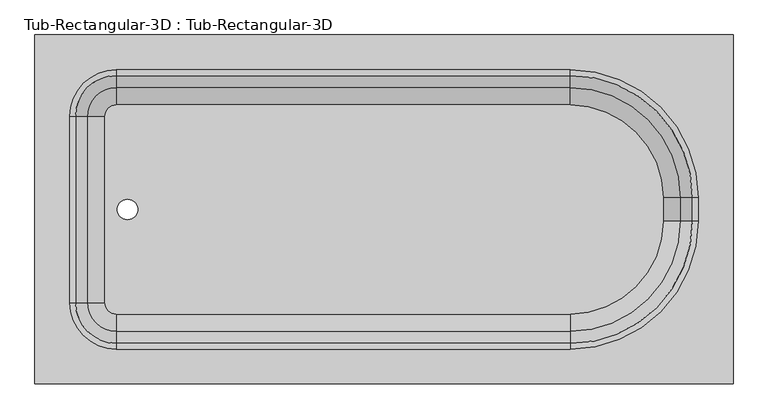
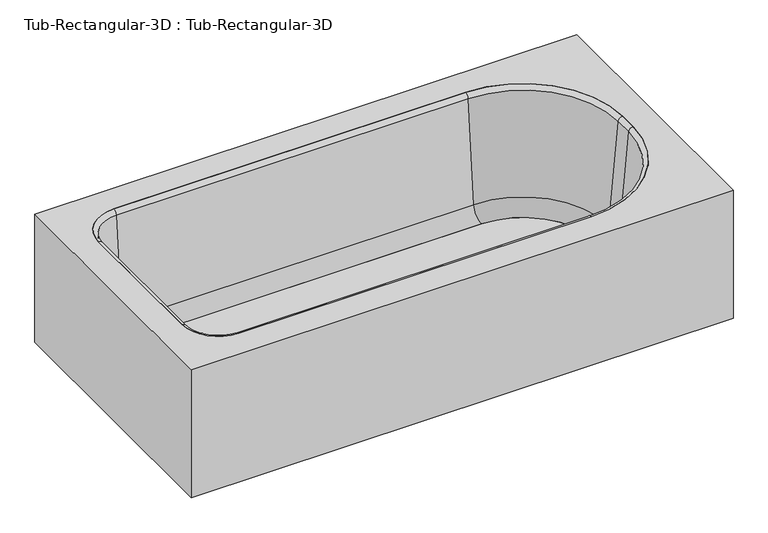
"""IFC4 building model written with IfcOpenShell, lengths in millimetres: flow terminal geometry, Tub-Rectangular-3D : Tub-Rectangular-3D."""

import ifcopenshell
import ifcopenshell.guid

model = None  # the IFC model being written
_history = None  # IfcOwnerHistory: only IFC2X3 demands one
_inside = {}  # id of a spatial element -> (the spatial element, [elements in it])
_under = {}  # id of a project, library or spatial element -> (it, [spatial elements below it])
_declared = {}  # id of a project -> (the project, [libraries it declares])
_typed = {}  # id of a type object -> (the type object, [elements of that type])
_made_of = {}  # id of a material, layer set ... -> (it, [elements and type objects made of it])


def new_model(schema):
    """Start an empty IFC model of exactly this schema.

    Asked for "IFC4X3", IfcOpenShell would pick the latest addendum, in which some entities
    have other attributes; the version numbers below select the first issue.
    IFC2X3 requires an IfcOwnerHistory on every rooted entity: one is made here for all.
    """
    global model, _history
    if schema == "IFC4X3":
        model = ifcopenshell.file(schema_version=(4, 3, 0, 0))
    else:
        model = ifcopenshell.file(schema=schema)
    _inside.clear()
    _under.clear()
    _declared.clear()
    _typed.clear()
    _made_of.clear()
    _history = None
    if model.schema == "IFC2X3":
        org = make("IfcOrganization", Name="unknown")
        user = make(
            "IfcPersonAndOrganization",
            ThePerson=make("IfcPerson", FamilyName="unknown"),
            TheOrganization=org,
        )
        app = make(
            "IfcApplication",
            ApplicationDeveloper=org,
            Version="unknown",
            ApplicationFullName="unknown",
            ApplicationIdentifier="unknown",
        )
        _history = make(
            "IfcOwnerHistory",
            OwningUser=user,
            OwningApplication=app,
            ChangeAction="ADDED",
            CreationDate=0,
        )
    return model


def make(cls, **values):
    """One entity of the class cls with the attributes given. An attribute that is None is left unset."""
    return model.create_entity(
        cls, **{name: value for name, value in values.items() if value is not None}
    )


def rooted(cls, **values):
    """An entity with a GlobalId (a new one), such as an element, a storey or a relation."""
    return make(cls, GlobalId=ifcopenshell.guid.new(), OwnerHistory=_history, **values)


def si_unit(unit_type, name, prefix=None):
    """IfcSIUnit, for example si_unit("LENGTHUNIT", "METRE", prefix="MILLI")."""
    return make("IfcSIUnit", UnitType=unit_type, Prefix=prefix, Name=name)


def assignment(units):
    """IfcUnitAssignment: the units of a project."""
    return None if units is None else make("IfcUnitAssignment", Units=units)


def point(xyz):
    """IfcCartesianPoint."""
    return None if xyz is None else make("IfcCartesianPoint", Coordinates=xyz)


def direction(xyz):
    """IfcDirection."""
    return None if xyz is None else make("IfcDirection", DirectionRatios=xyz)


def frame(location, z_axis=None, x_axis=None):
    """IfcAxis2Placement3D, a coordinate frame: its origin and axes. An axis left out is left unset."""
    return make(
        "IfcAxis2Placement3D",
        Location=point(location),
        Axis=direction(z_axis),
        RefDirection=direction(x_axis),
    )


def frame_2d(location, x_axis=None):
    """IfcAxis2Placement2D, a coordinate frame in the plane: its origin and x axis."""
    return make(
        "IfcAxis2Placement2D", Location=point(location), RefDirection=direction(x_axis)
    )


def origin():
    """The frame at (0, 0, 0) with its axes left unset."""
    return frame((0.0, 0.0, 0.0))


def place(relative_to, where):
    """IfcLocalPlacement: puts the frame where relative to a parent placement (None: the world)."""
    return make(
        "IfcLocalPlacement", PlacementRelTo=relative_to, RelativePlacement=where
    )


def context(
    kind, dimensions, precision=None, world=None, true_north=None, identifier=None
):
    """IfcGeometricRepresentationContext, for example the 3D "Model" context."""
    return make(
        "IfcGeometricRepresentationContext",
        ContextIdentifier=identifier,
        ContextType=kind,
        CoordinateSpaceDimension=dimensions,
        Precision=precision,
        WorldCoordinateSystem=world,
        TrueNorth=true_north,
    )


def project(units=None, contexts=None):
    """IfcProject with its units and contexts."""
    return rooted(
        "IfcProject",
        Name="project",
        RepresentationContexts=contexts,
        UnitsInContext=assignment(units),
    )


def spatial(cls, under=None, at=None, **own):
    """A site, building, storey or space (cls), placed at a placement, below another one or the project."""
    s = rooted(cls, ObjectPlacement=at, **own)
    if under is not None:
        _under.setdefault(under.id(), (under, []))[1].append(s)
    return s


def polyline(points):
    """IfcPolyline through the points."""
    return make("IfcPolyline", Points=[point(p) for p in points])


def circle_curve(where, radius):
    """IfcCircle in the frame where."""
    return make("IfcCircle", Position=where, Radius=radius)


def ellipse_curve(where, semi_axis1, semi_axis2):
    """IfcEllipse in the frame where."""
    return make(
        "IfcEllipse", Position=where, SemiAxis1=semi_axis1, SemiAxis2=semi_axis2
    )


def trimmed(basis, trim1, trim2, sense, master):
    """IfcTrimmedCurve: the piece of a basis curve between two trims."""
    return make(
        "IfcTrimmedCurve",
        BasisCurve=basis,
        Trim1=trim1,
        Trim2=trim2,
        SenseAgreement=sense,
        MasterRepresentation=master,
    )


def segment(curve, same_sense, transition):
    """IfcCompositeCurveSegment."""
    return make(
        "IfcCompositeCurveSegment",
        Transition=transition,
        SameSense=same_sense,
        ParentCurve=curve,
    )


def composite_curve(segments, self_intersect=None):
    """IfcCompositeCurve: segments joined end to end."""
    return make("IfcCompositeCurve", Segments=segments, SelfIntersect=self_intersect)


def outline(outer, holes=None, kind="AREA"):
    """IfcArbitraryClosedProfileDef: a profile drawn as a closed curve; with holes, ...WithVoids."""
    if holes is None:
        return make("IfcArbitraryClosedProfileDef", ProfileType=kind, OuterCurve=outer)
    return make(
        "IfcArbitraryProfileDefWithVoids",
        ProfileType=kind,
        OuterCurve=outer,
        InnerCurves=holes,
    )


def extrude(swept, where, along, depth):
    """IfcExtrudedAreaSolid: the profile swept, set in the frame where, extruded along a direction by depth."""
    return make(
        "IfcExtrudedAreaSolid",
        SweptArea=swept,
        Position=where,
        ExtrudedDirection=direction(along),
        Depth=depth,
    )


def shape(context_of_items, identifier, shape_type, items):
    """IfcShapeRepresentation: the items that make up one representation, for example the "Body"."""
    return make(
        "IfcShapeRepresentation",
        ContextOfItems=context_of_items,
        RepresentationIdentifier=identifier,
        RepresentationType=shape_type,
        Items=items,
    )


def source(mapping_origin, context_of_items, identifier, shape_type, items):
    """IfcRepresentationMap: a shape defined once, which mapped items show again and again."""
    return make(
        "IfcRepresentationMap",
        MappingOrigin=mapping_origin,
        MappedRepresentation=shape(context_of_items, identifier, shape_type, items),
    )


def transform(
    local_origin,
    x_axis=None,
    y_axis=None,
    z_axis=None,
    scale=None,
    scale2=None,
    scale3=None,
    uniform=True,
):
    """IfcCartesianTransformationOperator3D, or its non-uniform kind. x_axis, y_axis, z_axis: its Axis1, 2, 3."""
    if uniform:
        return make(
            "IfcCartesianTransformationOperator3D",
            Axis1=direction(x_axis),
            Axis2=direction(y_axis),
            LocalOrigin=point(local_origin),
            Scale=scale,
            Axis3=direction(z_axis),
        )
    return make(
        "IfcCartesianTransformationOperator3DnonUniform",
        Axis1=direction(x_axis),
        Axis2=direction(y_axis),
        LocalOrigin=point(local_origin),
        Scale=scale,
        Axis3=direction(z_axis),
        Scale2=scale2,
        Scale3=scale3,
    )


def mapped(mapping_source, mapping_target):
    """IfcMappedItem: shows the shape of a source again, moved by a transform."""
    return make(
        "IfcMappedItem", MappingSource=mapping_source, MappingTarget=mapping_target
    )


def made_of(thing, what):
    """Note that an element or type object is made of a material, layer set ...; save() writes the relation."""
    if what is not None:
        _made_of.setdefault(what.id(), (what, []))[1].append(thing)
    return thing


def element(
    cls,
    number,
    at=None,
    inside=None,
    cuts=None,
    type_object=None,
    material=None,
    context=None,
    identifier="Body",
    shape_type=None,
    held_by="IfcProductDefinitionShape",
    body=None,
    shapes=None,
    **own,
):
    """One element of the class cls, such as IfcWall. Its Tag is "e" and its number.

    at: its placement. inside: the storey or other place that contains it. cuts: it is an
    opening in that element (IfcRelVoidsElement). A single representation is given by context,
    identifier, shape_type and body (its items); several are given by shapes. held_by: the class
    of the entity that holds the representations. save() writes the other relations.
    """
    e = rooted(cls, Tag="e%d" % number, ObjectPlacement=at, **own)
    if body is not None:
        shapes = [shape(context, identifier, shape_type, body)]
    if shapes is not None:
        e.Representation = make(held_by, Representations=shapes)
    if inside is not None:
        _inside.setdefault(inside.id(), (inside, []))[1].append(e)
    if cuts is not None:
        rooted(
            "IfcRelVoidsElement", RelatingBuildingElement=cuts, RelatedOpeningElement=e
        )
    if type_object is not None:
        _typed.setdefault(type_object.id(), (type_object, []))[1].append(e)
    return made_of(e, material)


def aggregate(whole, parts):
    """IfcRelAggregates: a whole, such as a stair, and the parts it consists of."""
    return rooted("IfcRelAggregates", RelatingObject=whole, RelatedObjects=parts)


def save(model, path):
    """Write the relations noted so far, then the file.

    IfcRelAggregates (storeys below a building ...), IfcRelContainedInSpatialStructure (elements
    in a storey), IfcRelDefinesByType, IfcRelAssociatesMaterial and IfcRelDeclares: one each for
    every whole, place, type object, material and project.
    """
    for whole, parts in _under.values():
        aggregate(whole, parts)
    for where, things in _inside.values():
        rooted(
            "IfcRelContainedInSpatialStructure",
            RelatedElements=things,
            RelatingStructure=where,
        )
    for kind, things in _typed.values():
        rooted("IfcRelDefinesByType", RelatedObjects=things, RelatingType=kind)
    for what, things in _made_of.values():
        rooted("IfcRelAssociatesMaterial", RelatedObjects=things, RelatingMaterial=what)
    for by, libraries in _declared.values():
        rooted("IfcRelDeclares", RelatingContext=by, RelatedDefinitions=libraries)
    model.write(path)


def plane_surface(at):
    """IfcPlane: the flat surface through the origin of the frame at, square to its z axis."""
    return make("IfcPlane", Position=at)


def cylinder_surface(at, radius):
    """IfcCylindricalSurface: all points at the distance radius from the z axis of the frame at."""
    return make("IfcCylindricalSurface", Position=at, Radius=radius)


def revolved_surface(curve, axis_point, axis_direction):
    """IfcSurfaceOfRevolution: the curve turned about the line through axis_point along axis_direction."""
    return make(
        "IfcSurfaceOfRevolution",
        SweptCurve=make("IfcArbitraryOpenProfileDef", ProfileType="CURVE", Curve=curve),
        AxisPosition=make("IfcAxis1Placement", Location=point(axis_point), Axis=direction(axis_direction)),
    )


def advanced_brep(points, edges, surfaces, faces):
    """IfcAdvancedBrep: a solid bounded by faces that lie on surfaces and meet in shared edges.

    An edge is (start, end): straight between two places in points (the first is 0);
    or (start, end, curve); or (start, end, curve, False) where it runs against its curve.
    A face is (place in surfaces, loops), or (place, loops, False) where it looks against
    its surface's normal. A loop lists edges by number (the first is 1), with a minus sign
    where the edge is run from its end to its start. The first loop is the outer one.
    """
    corners = [point(p) for p in points]
    vertices = [make("IfcVertexPoint", VertexGeometry=c) for c in corners]
    made = []
    for start, end, *more in edges:
        made.append(
            make(
                "IfcEdgeCurve",
                EdgeStart=vertices[start],
                EdgeEnd=vertices[end],
                EdgeGeometry=more[0] if more else make("IfcPolyline", Points=[corners[start], corners[end]]),
                SameSense=more[1] if len(more) > 1 else True,
            )
        )
    hull = []
    for where, loops, *sense in faces:
        bounds = []
        for j, loop in enumerate(loops):
            ring = [make("IfcOrientedEdge", EdgeElement=made[abs(k) - 1], Orientation=k > 0) for k in loop]
            bounds.append(
                make(
                    "IfcFaceOuterBound" if j == 0 else "IfcFaceBound",
                    Bound=make("IfcEdgeLoop", EdgeList=ring),
                    Orientation=True,
                )
            )
        hull.append(make("IfcAdvancedFace", Bounds=bounds, FaceSurface=surfaces[where], SameSense=sense[0] if sense else True))
    return make("IfcAdvancedBrep", Outer=make("IfcClosedShell", CfsFaces=hull))


def tub_rectangular_3d_tub_rectangular_3d_f78616a5(model_context):
    return source(origin(), model_context, "Body", "SolidModel", [
        advanced_brep(
        [(413.3970313, 823.9125, 381.0), (-1110.6029687, 823.9125, 381.0), (-1110.6029687, 61.9125, 381.0), (413.3970313, 61.9125, 381.0), (-932.8029687, 747.7125, 381.0), (57.7970313, 747.7125, 381.0), (337.1970313, 468.3125, 381.0), (337.1970313, 417.5125, 381.0), (57.7970313, 138.1125, 381.0), (-932.8029687, 138.1125, 381.0), (-1034.4029687, 239.7125, 381.0), (-1034.4029687, 646.1125, 381.0), (394.3470313, 804.8625, 361.95), (394.3470313, 80.9625, 361.95), (-1091.5529687, 80.9625, 361.95), (-1091.5529687, 804.8625, 361.95), (-932.8029687, 747.7125, 361.95), (-1034.4029687, 646.1125, 361.95), (-1034.4029687, 239.7125, 361.95), (-932.8029687, 138.1125, 361.95), (57.7970313, 138.1125, 361.95), (337.1970313, 417.5125, 361.95), (337.1970313, 468.3125, 361.95), (57.7970313, 747.7125, 361.95), (413.3970313, 823.9125, 0.0), (-1110.6029687, 823.9125, 0.0), (-1110.6029687, 61.9125, 0.0), (413.3970313, 61.9125, 0.0), (394.3470313, 804.8625, 0.0), (-1091.5529687, 804.8625, 0.0), (-1091.5529687, 80.9625, 0.0), (394.3470313, 80.9625, 0.0)],
        [
            (0, 1),
            (1, 2),
            (2, 3),
            (3, 0),
            (4, 5),
            (5, 6, circle_curve(frame((57.7970313, 468.3125, 381.0), z_axis=(0.0, 0.0, -1.0), x_axis=(0.0, 1.0, 0.0)), 279.4)),
            (6, 7),
            (7, 8, circle_curve(frame((57.7970313, 417.5125, 381.0), z_axis=(0.0, 0.0, -1.0), x_axis=(0.0, 1.0, 0.0)), 279.4)),
            (8, 9),
            (9, 10, circle_curve(frame((-932.8029687, 239.7125, 381.0), z_axis=(0.0, 0.0, -1.0), x_axis=(0.0, 1.0, 0.0)), 101.6)),
            (10, 11),
            (11, 4, circle_curve(frame((-932.8029687, 646.1125, 381.0), z_axis=(0.0, 0.0, -1.0), x_axis=(0.0, 1.0, 0.0)), 101.6)),
            (12, 13),
            (13, 14),
            (14, 15),
            (15, 12),
            (16, 17, circle_curve(frame((-932.8029687, 646.1125, 361.95), z_axis=(0.0, 0.0, 1.0), x_axis=(0.0, 1.0, 0.0)), 101.6)),
            (17, 18),
            (18, 19, circle_curve(frame((-932.8029687, 239.7125, 361.95), z_axis=(0.0, 0.0, 1.0), x_axis=(0.0, 1.0, 0.0)), 101.6)),
            (19, 20),
            (20, 21, circle_curve(frame((57.7970313, 417.5125, 361.95), z_axis=(0.0, 0.0, 1.0), x_axis=(0.0, 1.0, 0.0)), 279.4)),
            (21, 22),
            (22, 23, circle_curve(frame((57.7970313, 468.3125, 361.95), z_axis=(0.0, 0.0, 1.0), x_axis=(0.0, 1.0, 0.0)), 279.4)),
            (23, 16),
            (0, 24),
            (24, 25),
            (25, 1),
            (25, 26),
            (26, 2),
            (26, 27),
            (27, 3),
            (27, 24),
            (4, 16),
            (23, 5),
            (22, 6),
            (21, 7),
            (20, 8),
            (19, 9),
            (18, 10),
            (17, 11),
            (28, 29),
            (29, 30),
            (30, 31),
            (31, 28),
            (31, 13),
            (12, 28),
            (30, 14),
            (29, 15),
        ],
        [
            plane_surface(frame((-1110.6029687, 823.9125, 381.0), z_axis=(0.0, 0.0, 1.0), x_axis=(-1.0, 0.0, 0.0))),
            plane_surface(frame((-1110.6029687, 823.9125, 361.95), z_axis=(0.0, 0.0, -1.0), x_axis=(1.0, 0.0, 0.0))),
            plane_surface(frame((413.3970313, 823.9125, 381.0), z_axis=(0.0, 1.0, 0.0), x_axis=(0.0, 0.0, -1.0))),
            plane_surface(frame((-1110.6029687, 823.9125, 381.0), z_axis=(-1.0, 0.0, 0.0), x_axis=(0.0, 0.0, -1.0))),
            plane_surface(frame((-1110.6029687, 61.9125, 381.0), z_axis=(0.0, -1.0, 0.0), x_axis=(0.0, 0.0, -1.0))),
            plane_surface(frame((413.3970313, 61.9125, 381.0), z_axis=(1.0, 0.0, 0.0), x_axis=(0.0, 0.0, -1.0))),
            plane_surface(frame((-932.8029687, 747.7125, 381.0), z_axis=(0.0, -1.0, 0.0), x_axis=(0.0, 0.0, -1.0))),
            revolved_surface(polyline([(57.7970313, 747.7125, 361.95), (57.7970313, 747.7125, 381.0)]), (57.7970313, 468.3125, 381.0), (0.0, 0.0, -1.0)),
            plane_surface(frame((337.1970313, 468.3125, 381.0), z_axis=(-1.0, 0.0, 0.0), x_axis=(0.0, 0.0, -1.0))),
            revolved_surface(polyline([(57.7970313, 696.9124999999999, 361.95), (57.7970313, 696.9124999999999, 381.0)]), (57.7970313, 417.5125, 381.0), (0.0, 0.0, -1.0)),
            plane_surface(frame((57.7970313, 138.1125, 381.0), z_axis=(0.0, 1.0, 0.0), x_axis=(0.0, 0.0, -1.0))),
            revolved_surface(polyline([(-932.8029687, 341.3125, 361.95), (-932.8029687, 341.3125, 381.0)]), (-932.8029687, 239.7125, 381.0), (0.0, 0.0, -1.0)),
            plane_surface(frame((-1034.4029687, 239.7125, 381.0), z_axis=(1.0, 0.0, 0.0), x_axis=(0.0, 0.0, -1.0))),
            revolved_surface(polyline([(-932.8029687, 747.7125, 361.95), (-932.8029687, 747.7125, 381.0)]), (-932.8029687, 646.1125, 381.0), (0.0, 0.0, -1.0)),
            plane_surface(frame((-1110.6029687, 823.9125, 0.0), z_axis=(0.0, 0.0, -1.0), x_axis=(1.0, 0.0, 0.0))),
            plane_surface(frame((394.3470313, 804.8625, 361.95), z_axis=(-1.0, 0.0, 0.0), x_axis=(0.0, 0.0, -1.0))),
            plane_surface(frame((394.3470313, 80.9625, 361.95), z_axis=(0.0, 1.0, 0.0), x_axis=(0.0, 0.0, -1.0))),
            plane_surface(frame((-1091.5529687, 80.9625, 361.95), z_axis=(1.0, 0.0, 0.0), x_axis=(0.0, 0.0, -1.0))),
            plane_surface(frame((-1091.5529687, 804.8625, 361.95), z_axis=(0.0, -1.0, 0.0), x_axis=(0.0, 0.0, -1.0))),
        ],
        [
            (0, [[1, 2, 3, 4], [5, 6, 7, 8, 9, 10, 11, 12]]),
            (1, [[13, 14, 15, 16], [17, 18, 19, 20, 21, 22, 23, 24]]),
            (2, [[-1, 25, 26, 27]]),
            (3, [[-2, -27, 28, 29]]),
            (4, [[-3, -29, 30, 31]]),
            (5, [[-25, -4, -31, 32]]),
            (6, [[-5, 33, -24, 34]]),
            (7, [[-6, -34, -23, 35]]),
            (8, [[-7, -35, -22, 36]]),
            (9, [[-8, -36, -21, 37]]),
            (10, [[-9, -37, -20, 38]]),
            (11, [[-10, -38, -19, 39]]),
            (12, [[-11, -39, -18, 40]]),
            (13, [[-12, -40, -17, -33]]),
            (14, [[-32, -30, -28, -26], [41, 42, 43, 44]]),
            (15, [[-44, 45, -13, 46]]),
            (16, [[-43, 47, -14, -45]]),
            (17, [[-42, 48, -15, -47]]),
            (18, [[-41, -46, -16, -48]]),
        ],
    ),
        extrude(outline(composite_curve([segment(trimmed(circle_curve(frame_2d((57.7970313, 468.3125)), 202.7964741), [point((57.7970313, 671.1089741))], [point((260.5935054, 468.3125))], False, "CARTESIAN"), True, "CONTINUOUS"), segment(polyline([(260.5935054, 468.3125), (260.5935054, 417.5125)]), True, "CONTINUOUS"), segment(trimmed(circle_curve(frame_2d((57.7970313, 417.5125)), 202.7964741), [point((260.5935054, 417.5125))], [point((57.7970313, 214.7160259))], False, "CARTESIAN"), True, "CONTINUOUS"), segment(polyline([(57.7970313, 214.7160259), (-932.8029687, 214.7160259)]), True, "CONTINUOUS"), segment(trimmed(circle_curve(frame_2d((-932.8029687, 239.7125)), 24.9964741), [point((-932.8029687, 214.7160259))], [point((-957.7994428, 239.7125))], False, "CARTESIAN"), True, "CONTINUOUS"), segment(polyline([(-957.7994428, 239.7125), (-957.7994428, 646.1125)]), True, "CONTINUOUS"), segment(trimmed(circle_curve(frame_2d((-932.8029687, 646.1125)), 24.9964741), [point((-957.7994428, 646.1125))], [point((-932.8029687, 671.1089741))], False, "CARTESIAN"), True, "CONTINUOUS"), segment(polyline([(-932.8029687, 671.1089741), (57.7970313, 671.1089741)]), True, "CONTINUOUS")], self_intersect=False), holes=[composite_curve([segment(trimmed(circle_curve(frame_2d((-908.510206, 442.9125)), 22.225), [point((-908.510206, 465.1375))], [point((-908.510206, 420.6875))], True, "CARTESIAN"), True, "CONTINUOUS"), segment(trimmed(circle_curve(frame_2d((-908.510206, 442.9125)), 22.225), [point((-908.510206, 420.6875))], [point((-908.510206, 465.1375))], True, "CARTESIAN"), True, "CONTINUOUS")], self_intersect=False)]), frame((0.0, 0.0, 16.863573), z_axis=(0.0, 0.0, 1.0), x_axis=(1.0, 0.0, 0.0)), (0.0, 0.0, 1.0), 19.05),
        advanced_brep(
        [(-995.7544608, 646.1125, 70.6929392), (-932.8029687, 709.0639921, 70.6929392), (-932.8029687, 735.2345035, 369.8232535), (-1021.9249722, 646.1125, 369.8232535), (-957.7994428, 646.1125, 35.913573), (-932.8029687, 671.1089741, 35.913573), (-957.7994428, 646.1125, 16.863573), (-932.8029687, 671.1089741, 16.863573), (-1034.4029687, 646.1125, 16.863573), (-932.8029687, 747.7125, 16.863573), (-1034.4029687, 646.1125, 381.0), (-932.8029687, 747.7125, 381.0), (-1021.9249722, 239.7125, 369.8232535), (-995.7544608, 239.7125, 70.6929392), (-957.7994428, 239.7125, 35.913573), (-957.7994428, 239.7125, 16.863573), (-1034.4029687, 239.7125, 16.863573), (-1034.4029687, 239.7125, 381.0), (-932.8029687, 176.7610079, 70.6929392), (-932.8029687, 150.5904965, 369.8232535), (-932.8029687, 214.7160259, 35.913573), (-932.8029687, 214.7160259, 16.863573), (-932.8029687, 138.1125, 16.863573), (-932.8029687, 138.1125, 381.0), (57.7970313, 150.5904965, 369.8232535), (57.7970313, 176.7610079, 70.6929392), (57.7970313, 214.7160259, 35.913573), (57.7970313, 214.7160259, 16.863573), (57.7970313, 138.1125, 16.863573), (57.7970313, 138.1125, 381.0), (298.5485234, 417.5125, 70.6929392), (324.7190348, 417.5125, 369.8232535), (260.5935054, 417.5125, 35.913573), (260.5935054, 417.5125, 16.863573), (337.1970313, 417.5125, 16.863573), (337.1970313, 417.5125, 381.0), (324.7190348, 468.3125, 369.8232535), (298.5485234, 468.3125, 70.6929392), (260.5935054, 468.3125, 35.913573), (260.5935054, 468.3125, 16.863573), (337.1970313, 468.3125, 16.863573), (337.1970313, 468.3125, 381.0), (57.7970313, 709.0639921, 70.6929392), (57.7970313, 735.2345035, 369.8232535), (57.7970313, 671.1089741, 35.913573), (57.7970313, 671.1089741, 16.863573), (57.7970313, 747.7125, 16.863573), (57.7970313, 747.7125, 381.0)],
        [
            (0, 1, circle_curve(frame((-932.8029687, 646.1125, 70.6929392), z_axis=(0.0, 0.0, -1.0), x_axis=(0.0, 1.0, 0.0)), 62.9514921)),
            (1, 2),
            (2, 3, circle_curve(frame((-932.8029687, 646.1125, 369.8232535), z_axis=(0.0, 0.0, 1.0), x_axis=(0.0, 1.0, 0.0)), 89.1220035)),
            (3, 0),
            (4, 5, circle_curve(frame((-932.8029687, 646.1125, 35.913573), z_axis=(0.0, 0.0, -1.0), x_axis=(0.0, 1.0, 0.0)), 24.9964741)),
            (5, 1, circle_curve(frame((-932.8029687, 671.1089741, 74.013573), z_axis=(1.0, 0.0, 0.0), x_axis=(0.0, -1.0, 0.0)), 38.1)),
            (0, 4, circle_curve(frame((-957.7994428, 646.1125, 74.013573), z_axis=(0.0, -1.0, 0.0), x_axis=(1.0, 0.0, 0.0)), 38.1)),
            (6, 7, circle_curve(frame((-932.8029687, 646.1125, 16.863573), z_axis=(0.0, 0.0, -1.0), x_axis=(0.0, 1.0, 0.0)), 24.9964741)),
            (7, 5),
            (4, 6),
            (8, 9, circle_curve(frame((-932.8029687, 646.1125, 16.863573), z_axis=(0.0, 0.0, -1.0), x_axis=(0.0, 1.0, 0.0)), 101.6)),
            (9, 7),
            (6, 8),
            (10, 11, circle_curve(frame((-932.8029687, 646.1125, 381.0), z_axis=(0.0, 0.0, -1.0), x_axis=(0.0, 1.0, 0.0)), 101.6)),
            (11, 9),
            (8, 10),
            (2, 11, circle_curve(frame((-932.8029687, 747.7125, 368.4462547), z_axis=(-1.0, 0.0, 0.0), x_axis=(0.0, -1.0, 0.0)), 12.5537453)),
            (10, 3, circle_curve(frame((-1034.4029687, 646.1125, 368.4462547), z_axis=(0.0, 1.0, 0.0), x_axis=(1.0, 0.0, 0.0)), 12.5537453)),
            (3, 12),
            (12, 13),
            (13, 0),
            (13, 14, circle_curve(frame((-957.7994428, 239.7125, 74.013573), z_axis=(0.0, -1.0, 0.0), x_axis=(1.0, 0.0, 0.0)), 38.1)),
            (14, 4),
            (14, 15),
            (15, 6),
            (15, 16),
            (16, 8),
            (16, 17),
            (17, 10),
            (17, 12, circle_curve(frame((-1034.4029687, 239.7125, 368.4462547), z_axis=(0.0, 1.0, 0.0), x_axis=(1.0, 0.0, 0.0)), 12.5537453)),
            (18, 13, circle_curve(frame((-932.8029687, 239.7125, 70.6929392), z_axis=(0.0, 0.0, -1.0), x_axis=(-1.0, 0.0, 0.0)), 62.9514921)),
            (12, 19, circle_curve(frame((-932.8029687, 239.7125, 369.8232535), z_axis=(0.0, 0.0, 1.0), x_axis=(-1.0, 0.0, 0.0)), 89.1220035)),
            (19, 18),
            (20, 14, circle_curve(frame((-932.8029687, 239.7125, 35.913573), z_axis=(0.0, 0.0, -1.0), x_axis=(-1.0, 0.0, 0.0)), 24.9964741)),
            (18, 20, circle_curve(frame((-932.8029687, 214.7160259, 74.013573), z_axis=(1.0, 0.0, 0.0), x_axis=(0.0, 1.0, 0.0)), 38.1)),
            (21, 15, circle_curve(frame((-932.8029687, 239.7125, 16.863573), z_axis=(0.0, 0.0, -1.0), x_axis=(-1.0, 0.0, 0.0)), 24.9964741)),
            (20, 21),
            (22, 16, circle_curve(frame((-932.8029687, 239.7125, 16.863573), z_axis=(0.0, 0.0, -1.0), x_axis=(-1.0, 0.0, 0.0)), 101.6)),
            (21, 22),
            (23, 17, circle_curve(frame((-932.8029687, 239.7125, 381.0), z_axis=(0.0, 0.0, -1.0), x_axis=(-1.0, 0.0, 0.0)), 101.6)),
            (22, 23),
            (23, 19, circle_curve(frame((-932.8029687, 138.1125, 368.4462547), z_axis=(-1.0, 0.0, 0.0), x_axis=(0.0, 1.0, 0.0)), 12.5537453)),
            (19, 24),
            (24, 25),
            (25, 18),
            (25, 26, circle_curve(frame((57.7970313, 214.7160259, 74.013573), z_axis=(1.0, 0.0, 0.0), x_axis=(0.0, 1.0, 0.0)), 38.1)),
            (26, 20),
            (26, 27),
            (27, 21),
            (27, 28),
            (28, 22),
            (28, 29),
            (29, 23),
            (29, 24, circle_curve(frame((57.7970313, 138.1125, 368.4462547), z_axis=(-1.0, 0.0, 0.0), x_axis=(0.0, 1.0, 0.0)), 12.5537453)),
            (30, 25, circle_curve(frame((57.7970313, 417.5125, 70.6929392), z_axis=(0.0, 0.0, -1.0), x_axis=(0.0, -1.0, 0.0)), 240.7514921)),
            (24, 31, circle_curve(frame((57.7970313, 417.5125, 369.8232535), z_axis=(0.0, 0.0, 1.0), x_axis=(0.0, -1.0, 0.0)), 266.9220035)),
            (31, 30),
            (32, 26, circle_curve(frame((57.7970313, 417.5125, 35.913573), z_axis=(0.0, 0.0, -1.0), x_axis=(0.0, -1.0, 0.0)), 202.7964741)),
            (30, 32, circle_curve(frame((260.5935054, 417.5125, 74.013573), z_axis=(0.0, 1.0, 0.0), x_axis=(-1.0, 0.0, 0.0)), 38.1)),
            (33, 27, circle_curve(frame((57.7970313, 417.5125, 16.863573), z_axis=(0.0, 0.0, -1.0), x_axis=(0.0, -1.0, 0.0)), 202.7964741)),
            (32, 33),
            (34, 28, circle_curve(frame((57.7970313, 417.5125, 16.863573), z_axis=(0.0, 0.0, -1.0), x_axis=(0.0, -1.0, 0.0)), 279.4)),
            (33, 34),
            (35, 29, circle_curve(frame((57.7970313, 417.5125, 381.0), z_axis=(0.0, 0.0, -1.0), x_axis=(0.0, -1.0, 0.0)), 279.4)),
            (34, 35),
            (35, 31, circle_curve(frame((337.1970313, 417.5125, 368.4462547), z_axis=(0.0, -1.0, 0.0), x_axis=(-1.0, 0.0, 0.0)), 12.5537453)),
            (31, 36),
            (36, 37),
            (37, 30),
            (37, 38, circle_curve(frame((260.5935054, 468.3125, 74.013573), z_axis=(0.0, 1.0, 0.0), x_axis=(-1.0, 0.0, 0.0)), 38.1)),
            (38, 32),
            (38, 39),
            (39, 33),
            (39, 40),
            (40, 34),
            (40, 41),
            (41, 35),
            (41, 36, circle_curve(frame((337.1970313, 468.3125, 368.4462547), z_axis=(0.0, -1.0, 0.0), x_axis=(-1.0, 0.0, 0.0)), 12.5537453)),
            (42, 37, circle_curve(frame((57.7970313, 468.3125, 70.6929392), z_axis=(0.0, 0.0, -1.0), x_axis=(1.0, 0.0, 0.0)), 240.7514921)),
            (36, 43, circle_curve(frame((57.7970313, 468.3125, 369.8232535), z_axis=(0.0, 0.0, 1.0), x_axis=(1.0, 0.0, 0.0)), 266.9220035)),
            (43, 42),
            (44, 38, circle_curve(frame((57.7970313, 468.3125, 35.913573), z_axis=(0.0, 0.0, -1.0), x_axis=(1.0, 0.0, 0.0)), 202.7964741)),
            (42, 44, circle_curve(frame((57.7970313, 671.1089741, 74.013573), z_axis=(-1.0, 0.0, 0.0), x_axis=(0.0, -1.0, 0.0)), 38.1)),
            (45, 39, circle_curve(frame((57.7970313, 468.3125, 16.863573), z_axis=(0.0, 0.0, -1.0), x_axis=(1.0, 0.0, 0.0)), 202.7964741)),
            (44, 45),
            (46, 40, circle_curve(frame((57.7970313, 468.3125, 16.863573), z_axis=(0.0, 0.0, -1.0), x_axis=(1.0, 0.0, 0.0)), 279.4)),
            (45, 46),
            (47, 41, circle_curve(frame((57.7970313, 468.3125, 381.0), z_axis=(0.0, 0.0, -1.0), x_axis=(1.0, 0.0, 0.0)), 279.4)),
            (46, 47),
            (47, 43, circle_curve(frame((57.7970313, 747.7125, 368.4462547), z_axis=(1.0, 0.0, 0.0), x_axis=(0.0, -1.0, 0.0)), 12.5537453)),
            (43, 2),
            (1, 42),
            (5, 44),
            (7, 45),
            (9, 46),
            (11, 47),
        ],
        [
            revolved_surface(polyline([(-932.8029687, 735.2345035, 369.8232535), (-932.8029687, 709.0639921, 70.6929392)]), (-932.8029687, 646.1125, 381.0), (0.0, 0.0, 1.0)),
            revolved_surface(trimmed(ellipse_curve(frame((-932.8029687, 671.1089741, 74.013573), z_axis=(-1.0, 0.0, 0.0), x_axis=(0.0, -1.0, 0.0)), 38.1, 38.1), [point((-932.8029687, 709.0639921, 70.6929392))], [point((-932.8029687, 671.1089741, 35.913573))], True, "CARTESIAN"), (-932.8029687, 646.1125, 381.0), (0.0, 0.0, 1.0)),
            revolved_surface(polyline([(-932.8029687, 671.1089741, 35.913572999999985), (-932.8029687, 671.1089741, 16.863572999999974)]), (-932.8029687, 646.1125, 381.0), (0.0, 0.0, 1.0)),
            plane_surface(frame((-932.8029687, 646.1125, 16.863573), z_axis=(0.0, 0.0, -1.0), x_axis=(0.0, 1.0, 0.0))),
            cylinder_surface(frame((-932.8029687, 646.1125, 381.0), z_axis=(0.0, 0.0, 1.0), x_axis=(0.0, 1.0, 0.0)), 101.6),
            revolved_surface(trimmed(ellipse_curve(frame((-932.8029687, 747.7125, 368.4462547), z_axis=(1.0, 0.0, 0.0), x_axis=(0.0, -1.0, 0.0)), 12.5537453, 12.5537453), [point((-932.8029687, 747.7125, 381.0))], [point((-932.8029687, 735.2345035, 369.8232535))], True, "CARTESIAN"), (-932.8029687, 646.1125, 381.0), (0.0, 0.0, 1.0)),
            plane_surface(frame((-1021.9249722, 646.1125, 369.8232535), z_axis=(0.9961946980917458, 0.0, 0.08715574274765588), x_axis=(0.0, -1.0, 0.0))),
            revolved_surface(polyline([(-919.6994427999999, 239.71249999999998, 74.013573), (-919.6994427999999, 646.1125, 74.013573)]), (-957.7994428, 646.1125, 74.013573), (0.0, -1.0, 0.0)),
            plane_surface(frame((-957.7994428, 646.1125, 35.913573), z_axis=(1.0, 0.0, 0.0), x_axis=(0.0, -1.0, 0.0))),
            plane_surface(frame((-957.7994428, 646.1125, 16.863573), z_axis=(0.0, 0.0, -1.0), x_axis=(0.0, -1.0, 0.0))),
            plane_surface(frame((-1034.4029687, 646.1125, 16.863573), z_axis=(-1.0, 0.0, 0.0), x_axis=(0.0, -1.0, 0.0))),
            cylinder_surface(frame((-1034.4029687, 646.1125, 368.4462547), z_axis=(0.0, 1.0, 0.0), x_axis=(1.0, 0.0, 0.0)), 12.5537453),
            revolved_surface(polyline([(-1021.9249722, 239.7125, 369.8232535), (-995.7544608, 239.7125, 70.6929392)]), (-932.8029687, 239.7125, 381.0), (0.0, 0.0, 1.0)),
            revolved_surface(trimmed(ellipse_curve(frame((-957.7994428, 239.7125, 74.013573), z_axis=(0.0, -1.0, 0.0), x_axis=(1.0, 0.0, 0.0)), 38.1, 38.1), [point((-995.7544608, 239.7125, 70.6929392))], [point((-957.7994428, 239.7125, 35.913573))], True, "CARTESIAN"), (-932.8029687, 239.7125, 381.0), (0.0, 0.0, 1.0)),
            revolved_surface(polyline([(-957.7994428, 239.7125, 35.913572999999985), (-957.7994428, 239.7125, 16.863572999999974)]), (-932.8029687, 239.7125, 381.0), (0.0, 0.0, 1.0)),
            plane_surface(frame((-932.8029687, 239.7125, 16.863573), z_axis=(0.0, 0.0, -1.0), x_axis=(-1.0, 0.0, 0.0))),
            cylinder_surface(frame((-932.8029687, 239.7125, 381.0), z_axis=(0.0, 0.0, 1.0), x_axis=(-1.0, 0.0, 0.0)), 101.6),
            revolved_surface(trimmed(ellipse_curve(frame((-1034.4029687, 239.7125, 368.4462547), z_axis=(0.0, 1.0, 0.0), x_axis=(1.0, 0.0, 0.0)), 12.5537453, 12.5537453), [point((-1034.4029687, 239.7125, 381.0))], [point((-1021.9249722, 239.7125, 369.8232535))], True, "CARTESIAN"), (-932.8029687, 239.7125, 381.0), (0.0, 0.0, 1.0)),
            plane_surface(frame((-932.8029687, 150.5904965, 369.8232535), z_axis=(0.0, 0.9961946980917461, 0.08715574274765264), x_axis=(1.0, 0.0, 0.0))),
            revolved_surface(polyline([(57.79703129999996, 252.8160259, 74.013573), (-932.8029687, 252.8160259, 74.013573)]), (-932.8029687, 214.7160259, 74.013573), (1.0, 0.0, 0.0)),
            plane_surface(frame((-932.8029687, 214.7160259, 35.913573), z_axis=(0.0, 1.0, 0.0), x_axis=(1.0, 0.0, 0.0))),
            plane_surface(frame((-932.8029687, 214.7160259, 16.863573), z_axis=(0.0, 0.0, -1.0), x_axis=(1.0, 0.0, 0.0))),
            plane_surface(frame((-932.8029687, 138.1125, 16.863573), z_axis=(0.0, -1.0, 0.0), x_axis=(1.0, 0.0, 0.0))),
            cylinder_surface(frame((-932.8029687, 138.1125, 368.4462547), z_axis=(-1.0, 0.0, 0.0), x_axis=(0.0, 1.0, 0.0)), 12.5537453),
            revolved_surface(polyline([(57.7970313, 150.5904965, 369.8232535), (57.7970313, 176.7610079, 70.6929392)]), (57.7970313, 417.5125, 381.0), (0.0, 0.0, 1.0)),
            revolved_surface(trimmed(ellipse_curve(frame((57.7970313, 214.7160259, 74.013573), z_axis=(1.0, 0.0, 0.0), x_axis=(0.0, 1.0, 0.0)), 38.1, 38.1), [point((57.7970313, 176.7610079, 70.6929392))], [point((57.7970313, 214.7160259, 35.913573))], True, "CARTESIAN"), (57.7970313, 417.5125, 381.0), (0.0, 0.0, 1.0)),
            revolved_surface(polyline([(57.7970313, 214.71602589999998, 35.913572999999985), (57.7970313, 214.71602589999998, 16.863572999999974)]), (57.7970313, 417.5125, 381.0), (0.0, 0.0, 1.0)),
            plane_surface(frame((57.7970313, 417.5125, 16.863573), z_axis=(0.0, 0.0, -1.0), x_axis=(0.0, -1.0, 0.0))),
            cylinder_surface(frame((57.7970313, 417.5125, 381.0), z_axis=(0.0, 0.0, 1.0), x_axis=(0.0, -1.0, 0.0)), 279.4),
            revolved_surface(trimmed(ellipse_curve(frame((57.7970313, 138.1125, 368.4462547), z_axis=(-1.0, 0.0, 0.0), x_axis=(0.0, 1.0, 0.0)), 12.5537453, 12.5537453), [point((57.7970313, 138.1125, 381.0))], [point((57.7970313, 150.5904965, 369.8232535))], True, "CARTESIAN"), (57.7970313, 417.5125, 381.0), (0.0, 0.0, 1.0)),
            plane_surface(frame((324.7190348, 417.5125, 369.8232535), z_axis=(-0.9961946980917464, 0.0, 0.08715574274764941), x_axis=(0.0, 1.0, 0.0))),
            revolved_surface(polyline([(222.49350540000003, 468.3125, 74.013573), (222.49350540000003, 417.5125, 74.013573)]), (260.5935054, 417.5125, 74.013573), (0.0, 1.0, 0.0)),
            plane_surface(frame((260.5935054, 417.5125, 35.913573), z_axis=(-1.0, 0.0, 0.0), x_axis=(0.0, 1.0, 0.0))),
            plane_surface(frame((260.5935054, 417.5125, 16.863573), z_axis=(0.0, 0.0, -1.0), x_axis=(0.0, 1.0, 0.0))),
            plane_surface(frame((337.1970313, 417.5125, 16.863573), z_axis=(1.0, 0.0, 0.0), x_axis=(0.0, 1.0, 0.0))),
            cylinder_surface(frame((337.1970313, 417.5125, 368.4462547), z_axis=(0.0, -1.0, 0.0), x_axis=(-1.0, 0.0, 0.0)), 12.5537453),
            revolved_surface(polyline([(324.7190348, 468.3125, 369.8232535), (298.5485234, 468.3125, 70.6929392)]), (57.7970313, 468.3125, 381.0), (0.0, 0.0, 1.0)),
            revolved_surface(trimmed(ellipse_curve(frame((260.5935054, 468.3125, 74.013573), z_axis=(0.0, 1.0, 0.0), x_axis=(-1.0, 0.0, 0.0)), 38.1, 38.1), [point((298.5485234, 468.3125, 70.6929392))], [point((260.5935054, 468.3125, 35.913573))], True, "CARTESIAN"), (57.7970313, 468.3125, 381.0), (0.0, 0.0, 1.0)),
            revolved_surface(polyline([(260.5935054, 468.3125, 35.913572999999985), (260.5935054, 468.3125, 16.863572999999974)]), (57.7970313, 468.3125, 381.0), (0.0, 0.0, 1.0)),
            plane_surface(frame((57.7970313, 468.3125, 16.863573), z_axis=(0.0, 0.0, -1.0), x_axis=(1.0, 0.0, 0.0))),
            cylinder_surface(frame((57.7970313, 468.3125, 381.0), z_axis=(0.0, 0.0, 1.0), x_axis=(1.0, 0.0, 0.0)), 279.4),
            revolved_surface(trimmed(ellipse_curve(frame((337.1970313, 468.3125, 368.4462547), z_axis=(0.0, -1.0, 0.0), x_axis=(-1.0, 0.0, 0.0)), 12.5537453, 12.5537453), [point((337.1970313, 468.3125, 381.0))], [point((324.7190348, 468.3125, 369.8232535))], True, "CARTESIAN"), (57.7970313, 468.3125, 381.0), (0.0, 0.0, 1.0)),
            plane_surface(frame((57.7970313, 735.2345035, 369.8232535), z_axis=(0.0, -0.9961946980917461, 0.08715574274765264), x_axis=(-1.0, 0.0, 0.0))),
            revolved_surface(polyline([(-932.8029687, 633.0089740999999, 74.013573), (57.7970313, 633.0089740999999, 74.013573)]), (57.7970313, 671.1089741, 74.013573), (-1.0, 0.0, 0.0)),
            plane_surface(frame((57.7970313, 671.1089741, 35.913573), z_axis=(0.0, -1.0, 0.0), x_axis=(-1.0, 0.0, 0.0))),
            plane_surface(frame((57.7970313, 671.1089741, 16.863573), z_axis=(0.0, 0.0, -1.0), x_axis=(-1.0, 0.0, 0.0))),
            plane_surface(frame((57.7970313, 747.7125, 16.863573), z_axis=(0.0, 1.0, 0.0), x_axis=(-1.0, 0.0, 0.0))),
            cylinder_surface(frame((57.7970313, 747.7125, 368.4462547), z_axis=(1.0, 0.0, 0.0), x_axis=(0.0, -1.0, 0.0)), 12.5537453),
        ],
        [
            (0, [[1, 2, 3, 4]]),
            (1, [[5, 6, -1, 7]]),
            (2, [[8, 9, -5, 10]]),
            (3, [[11, 12, -8, 13]]),
            (4, [[14, 15, -11, 16]]),
            (5, [[-3, 17, -14, 18]]),
            (6, [[-4, 19, 20, 21]]),
            (7, [[-7, -21, 22, 23]]),
            (8, [[-10, -23, 24, 25]]),
            (9, [[-13, -25, 26, 27]]),
            (10, [[-16, -27, 28, 29]]),
            (11, [[-18, -29, 30, -19]]),
            (12, [[31, -20, 32, 33]]),
            (13, [[34, -22, -31, 35]]),
            (14, [[36, -24, -34, 37]]),
            (15, [[38, -26, -36, 39]]),
            (16, [[40, -28, -38, 41]]),
            (17, [[-32, -30, -40, 42]]),
            (18, [[-33, 43, 44, 45]]),
            (19, [[-35, -45, 46, 47]]),
            (20, [[-37, -47, 48, 49]]),
            (21, [[-39, -49, 50, 51]]),
            (22, [[-41, -51, 52, 53]]),
            (23, [[-42, -53, 54, -43]]),
            (24, [[55, -44, 56, 57]]),
            (25, [[58, -46, -55, 59]]),
            (26, [[60, -48, -58, 61]]),
            (27, [[62, -50, -60, 63]]),
            (28, [[64, -52, -62, 65]]),
            (29, [[-56, -54, -64, 66]]),
            (30, [[-57, 67, 68, 69]]),
            (31, [[-59, -69, 70, 71]]),
            (32, [[-61, -71, 72, 73]]),
            (33, [[-63, -73, 74, 75]]),
            (34, [[-65, -75, 76, 77]]),
            (35, [[-66, -77, 78, -67]]),
            (36, [[79, -68, 80, 81]]),
            (37, [[82, -70, -79, 83]]),
            (38, [[84, -72, -82, 85]]),
            (39, [[86, -74, -84, 87]]),
            (40, [[88, -76, -86, 89]]),
            (41, [[-80, -78, -88, 90]]),
            (42, [[-81, 91, -2, 92]]),
            (43, [[-83, -92, -6, 93]]),
            (44, [[-85, -93, -9, 94]]),
            (45, [[-87, -94, -12, 95]]),
            (46, [[-89, -95, -15, 96]]),
            (47, [[-90, -96, -17, -91]]),
        ],
    ),
    ])


if __name__ == "__main__":
    model = new_model("IFC4")
    model_context = context("Model", 3, world=origin())
    ifc_project = project(units=[si_unit("LENGTHUNIT", "METRE", prefix="MILLI")], contexts=[model_context])
    site = spatial("IfcSite", under=ifc_project)
    building = spatial("IfcBuilding", under=site)
    placement = place(None, origin())
    tub_rectangular_3d_tub_rectangular_3d_shape = tub_rectangular_3d_tub_rectangular_3d_f78616a5(model_context)
    element("IfcFlowTerminal", 1, ObjectType="Tub-Rectangular-3D : Tub-Rectangular-3D", at=placement, inside=building, context=model_context, shape_type="MappedRepresentation", body=[
        mapped(tub_rectangular_3d_tub_rectangular_3d_shape, transform((0.0, 0.0, 0.0), x_axis=(1.0, 0.0, 0.0), y_axis=(0.0, 1.0, 0.0), z_axis=(0.0, 0.0, 1.0))),
    ])
    save(model, "model.ifc")
